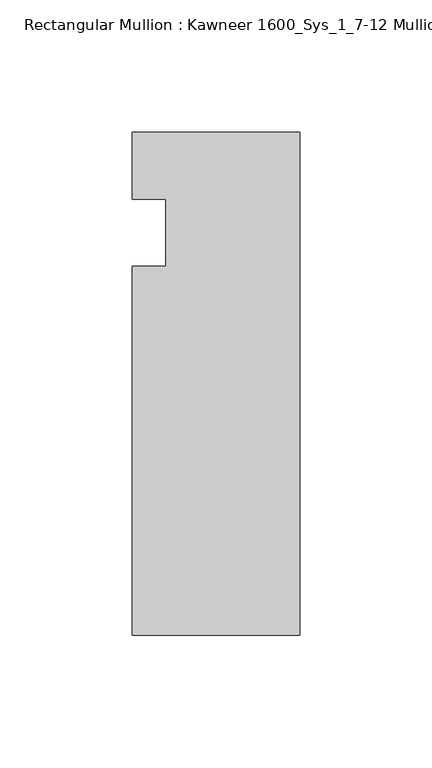
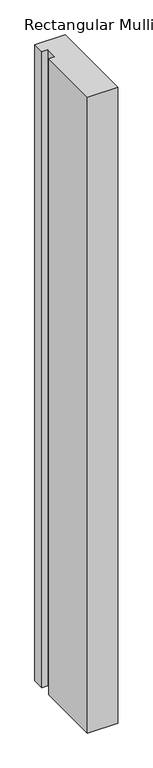
"""IFC4 building model written with IfcOpenShell, lengths in millimetres: member geometry, Rectangular Mullion : Kawneer 1600_Sys_1_7-12 Mullion_Head."""

from ifc_helpers import new_model, si_unit, frame, origin, place, context, project, spatial, polyline, outline, extrude, source, transform, mapped, element, save


def rectangular_mullion_kawneer_1600_sys_1_7_12_mullion_head_40a9a15c(model_context):
    return source(origin(), model_context, "Body", "SweptSolid", [
        extrude(outline(polyline([(-63.5, -152.4), (-63.5, -12.7), (-50.7982296, -12.7), (-50.7982296, 12.7), (-63.5, 12.7), (-63.5, 38.1), (0.0, 38.1), (0.0, -152.4), (-63.5, -152.4)])), frame((0.0, 0.0, -1409.7), z_axis=(0.0, 0.0, 1.0), x_axis=(1.0, 0.0, 0.0)), (0.0, 0.0, 1.0), 1409.7),
    ])


if __name__ == "__main__":
    model = new_model("IFC4")
    model_context = context("Model", 3, world=origin())
    ifc_project = project(units=[si_unit("LENGTHUNIT", "METRE", prefix="MILLI")], contexts=[model_context])
    site = spatial("IfcSite", under=ifc_project)
    building = spatial("IfcBuilding", under=site)
    placement = place(None, origin())
    rectangular_mullion_kawneer_1600_sys_1_7_12_mullion_head_shape = rectangular_mullion_kawneer_1600_sys_1_7_12_mullion_head_40a9a15c(model_context)
    element("IfcMember", 1, ObjectType="Rectangular Mullion : Kawneer 1600_Sys_1_7-12 Mullion_Head", at=placement, inside=building, context=model_context, shape_type="MappedRepresentation", body=[
        mapped(rectangular_mullion_kawneer_1600_sys_1_7_12_mullion_head_shape, transform((0.0, 0.0, 0.0), x_axis=(1.0, 0.0, 0.0), y_axis=(0.0, 1.0, 0.0), z_axis=(0.0, 0.0, 1.0))),
    ])
    save(model, "model.ifc")
